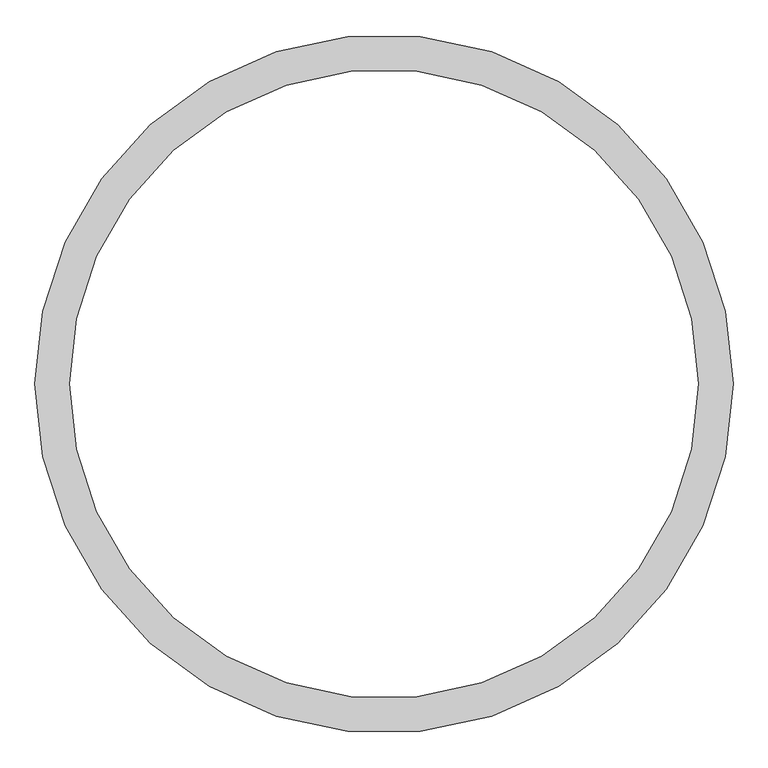
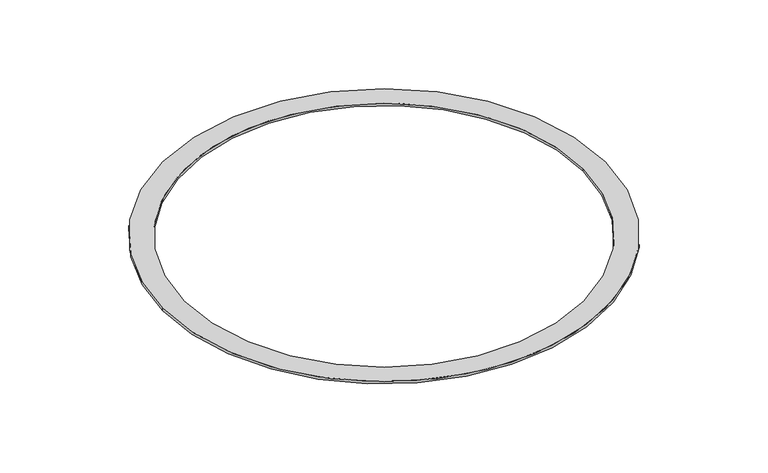
"""IFC4 building model written with IfcOpenShell, lengths in millimetres: furniture geometry."""

from ifc_helpers import new_model, si_unit, point, origin, origin_with_axes, origin_2d, place, context, project, spatial, circle_curve, trimmed, segment, composite_curve, outline, extrude, source, transform, mapped, element, save


def furniture_9921feeb(model_context):
    return source(origin(), model_context, "Body", "SweptSolid", [
        extrude(outline(composite_curve([segment(trimmed(circle_curve(origin_2d(), 903.9238247), [point((-903.9238247, 0.0))], [point((903.9238247, 0.0))], False, "CARTESIAN"), True, "CONTINUOUS"), segment(trimmed(circle_curve(origin_2d(), 903.9238247), [point((903.9238247, 0.0))], [point((-903.9238247, 0.0))], False, "CARTESIAN"), True, "CONTINUOUS")], self_intersect=False), holes=[composite_curve([segment(trimmed(circle_curve(origin_2d(), 813.9238247), [point((813.9238247, 0.0))], [point((-813.9238247, 0.0))], True, "CARTESIAN"), True, "CONTINUOUS"), segment(trimmed(circle_curve(origin_2d(), 813.9238247), [point((-813.9238247, 0.0))], [point((813.9238247, 0.0))], True, "CARTESIAN"), True, "CONTINUOUS")], self_intersect=False)]), origin_with_axes(), (0.0, 0.0, 1.0), 10.0),
    ])


if __name__ == "__main__":
    model = new_model("IFC4")
    model_context = context("Model", 3, world=origin())
    ifc_project = project(units=[si_unit("LENGTHUNIT", "METRE", prefix="MILLI")], contexts=[model_context])
    site = spatial("IfcSite", under=ifc_project)
    building = spatial("IfcBuilding", under=site)
    placement = place(None, origin())
    furniture_shape = furniture_9921feeb(model_context)
    element("IfcFurniture", 1, at=placement, inside=building, context=model_context, shape_type="MappedRepresentation", body=[
        mapped(furniture_shape, transform((0.0, 0.0, 0.0), x_axis=(1.0, 0.0, 0.0), y_axis=(0.0, 1.0, 0.0), z_axis=(0.0, 0.0, 1.0))),
    ])
    save(model, "model.ifc")
